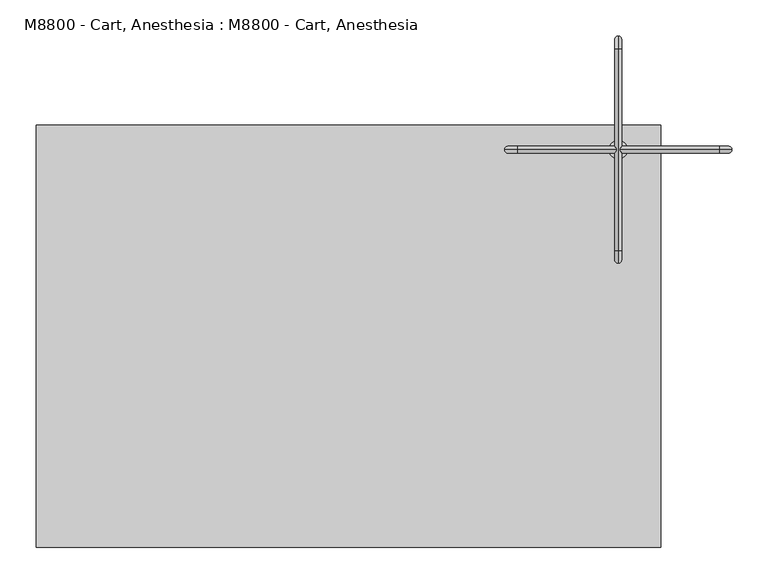
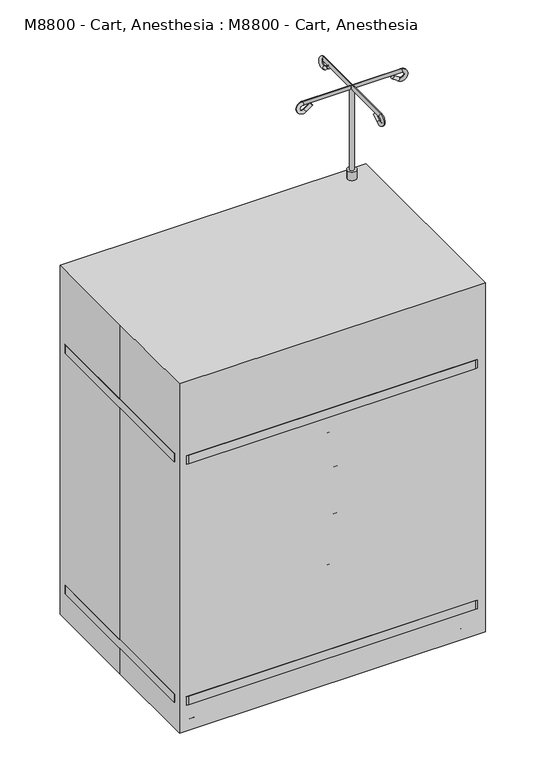
"""IFC4 building model written with IfcOpenShell, lengths in millimetres: proxy geometry, M8800 - Cart, Anesthesia : M8800 - Cart, Anesthesia."""

from ifc_helpers import new_model, si_unit, point, frame, frame_2d, origin, origin_with_axes, place, context, project, spatial, polyline, circle_curve, ellipse_curve, trimmed, segment, composite_curve, outline, extrude, source, transform, mapped, element, save
from ifc_brep_helpers import plane_surface, cylinder_surface, revolved_surface, advanced_brep


def m8800_cart_anesthesia_m8800_cart_anesthesia_451a47e1(model_context):
    return source(origin(), model_context, "Body", "SolidModel", [
        extrude(outline(composite_curve([segment(trimmed(circle_curve(frame_2d((372.8549743, 257.8577972)), 6.35), [point((366.5049743, 257.8577972))], [point((379.2049743, 257.8577972))], False, "CARTESIAN"), True, "CONTINUOUS"), segment(trimmed(circle_curve(frame_2d((372.8549743, 257.8577972)), 6.35), [point((379.2049743, 257.8577972))], [point((366.5049743, 257.8577972))], False, "CARTESIAN"), True, "CONTINUOUS")], self_intersect=False)), frame((0.0, 0.0, 1066.8), z_axis=(0.0, 0.0, 1.0), x_axis=(1.0, 0.0, 0.0)), (0.0, 0.0, 1.0), 247.65),
        advanced_brep(
        [(372.8549743, 375.3332189, 1305.9580135), (372.8549743, 369.7574508, 1298.2355504), (372.8549743, 392.9113238, 1293.2662808), (372.8549743, 387.3355558, 1285.5438178), (372.8549743, 397.5577972, 1317.1641667), (372.8549743, 397.5577972, 1307.6391667), (372.8549743, 118.1577972, 1307.6391667), (372.8549743, 118.1577972, 1317.1641667), (372.8549743, 128.3800387, 1285.5438178), (372.8549743, 122.8042706, 1293.2662808), (372.8549743, 140.3823755, 1305.9580135), (372.8549743, 145.9581436, 1298.2355504)],
        [
            (0, 1, circle_curve(frame((372.8549743, 372.5453349, 1302.096782), z_axis=(0.0, -0.8107572744902803, 0.5853824748496425), x_axis=(0.0, -0.5853824748496425, -0.8107572744902803)), 4.7625)),
            (1, 0, circle_curve(frame((372.8549743, 372.5453349, 1302.096782), z_axis=(0.0, -0.8107572744902803, 0.5853824748496425), x_axis=(0.0, -0.5853824748496425, -0.8107572744902803)), 4.7625)),
            (0, 2),
            (2, 3, circle_curve(frame((372.8549743, 390.1234398, 1289.4050493), z_axis=(0.0, -0.8107572744902803, 0.5853824748496425), x_axis=(0.0, -0.5853824748496425, -0.8107572744902803)), 4.7625)),
            (3, 1),
            (3, 2, circle_curve(frame((372.8549743, 390.1234398, 1289.4050493), z_axis=(0.0, -0.8107572744902803, 0.5853824748496425), x_axis=(0.0, -0.5853824748496425, -0.8107572744902803)), 4.7625)),
            (4, 3, circle_curve(frame((372.8549743, 397.5577972, 1299.7016667), z_axis=(-1.0, 0.0, 0.0), x_axis=(0.0, -0.5853824748496496, -0.8107572744902751)), 17.4625)),
            (2, 5, circle_curve(frame((372.8549743, 397.5577972, 1299.7016667), z_axis=(1.0, 0.0, 0.0), x_axis=(0.0, -0.5853824748496496, -0.8107572744902751)), 7.9375)),
            (5, 4, circle_curve(frame((372.8549743, 397.5577972, 1312.4016667), z_axis=(0.0, 1.0, 0.0), x_axis=(0.0, 0.0, 1.0)), 4.7625)),
            (4, 5, circle_curve(frame((372.8549743, 397.5577972, 1312.4016667), z_axis=(0.0, 1.0, 0.0), x_axis=(0.0, 0.0, 1.0)), 4.7625)),
            (5, 6),
            (6, 7, circle_curve(frame((372.8549743, 118.1577972, 1312.4016667), z_axis=(0.0, 1.0, 0.0), x_axis=(0.0, 0.0, 1.0)), 4.7625)),
            (7, 4),
            (7, 6, circle_curve(frame((372.8549743, 118.1577972, 1312.4016667), z_axis=(0.0, 1.0, 0.0), x_axis=(0.0, 0.0, 1.0)), 4.7625)),
            (8, 7, circle_curve(frame((372.8549743, 118.1577972, 1299.7016667), z_axis=(-1.0, 0.0, 0.0), x_axis=(0.0, 0.0, 1.0)), 17.4625)),
            (6, 9, circle_curve(frame((372.8549743, 118.1577972, 1299.7016667), z_axis=(1.0, 0.0, 0.0), x_axis=(0.0, 0.0, 1.0)), 7.9375)),
            (9, 8, circle_curve(frame((372.8549743, 125.5921547, 1289.4050493), z_axis=(0.0, -0.8107572744906116, -0.5853824748491835), x_axis=(0.0, 0.5853824748491835, -0.8107572744906116)), 4.7625)),
            (8, 9, circle_curve(frame((372.8549743, 125.5921547, 1289.4050493), z_axis=(0.0, -0.8107572744895729, -0.5853824748506223), x_axis=(0.0, 0.5853824748506223, -0.8107572744895729)), 4.7625)),
            (10, 11, circle_curve(frame((372.8549743, 143.1702596, 1302.096782), z_axis=(0.0, 0.8107572744898958, 0.585382474850175), x_axis=(0.0, 0.585382474850175, -0.8107572744898958)), 4.7625)),
            (11, 10, circle_curve(frame((372.8549743, 143.1702596, 1302.096782), z_axis=(0.0, 0.8107572744898958, 0.585382474850175), x_axis=(0.0, 0.585382474850175, -0.8107572744898958)), 4.7625)),
            (9, 10),
            (11, 8),
        ],
        [
            plane_surface(frame((639.5549743, 372.5453349, 1302.096782), z_axis=(0.0, -0.8107572744902803, 0.5853824748496425), x_axis=(-1.0, 0.0, 0.0))),
            cylinder_surface(frame((372.8549743, 372.5453349, 1302.096782), z_axis=(0.0, -0.8107572744902803, 0.5853824748496425), x_axis=(0.0, -0.5853824748496425, -0.8107572744902803)), 4.7625),
            revolved_surface(trimmed(ellipse_curve(frame((372.8549743, 390.1234398, 1289.4050493), z_axis=(0.0, -0.8107572744902749, 0.5853824748496498), x_axis=(0.0, -0.5853824748496498, -0.8107572744902749)), 4.7625, 4.7625), [point((372.8549743, 392.9113238, 1293.2662808))], [point((372.8549743, 387.3355558, 1285.5438178))], True, "CARTESIAN"), (639.5549743, 397.5577972, 1299.7016667), (1.0, 0.0, 0.0)),
            revolved_surface(trimmed(ellipse_curve(frame((372.8549743, 390.1234398, 1289.4050493), z_axis=(0.0, -0.8107572744902749, 0.5853824748496498), x_axis=(0.0, -0.5853824748496498, -0.8107572744902749)), 4.7625, 4.7625), [point((372.8549743, 387.3355558, 1285.5438178))], [point((372.8549743, 392.9113238, 1293.2662808))], True, "CARTESIAN"), (639.5549743, 397.5577972, 1299.7016667), (1.0, 0.0, 0.0)),
            cylinder_surface(frame((372.8549743, 397.5577972, 1312.4016667), z_axis=(0.0, 1.0, 0.0), x_axis=(0.0, 0.0, 1.0)), 4.7625),
            revolved_surface(trimmed(ellipse_curve(frame((372.8549743, 118.1577972, 1312.4016667), z_axis=(0.0, 1.0, 0.0), x_axis=(0.0, 0.0, 1.0)), 4.7625, 4.7625), [point((372.8549743, 118.1577972, 1307.6391667))], [point((372.8549743, 118.1577972, 1317.1641667))], True, "CARTESIAN"), (639.5549743, 118.1577972, 1299.7016667), (1.0, 0.0, 0.0)),
            revolved_surface(trimmed(ellipse_curve(frame((372.8549743, 118.1577972, 1312.4016667), z_axis=(0.0, 1.0, 0.0), x_axis=(0.0, 0.0, 1.0)), 4.7625, 4.7625), [point((372.8549743, 118.1577972, 1317.1641667))], [point((372.8549743, 118.1577972, 1307.6391667))], True, "CARTESIAN"), (639.5549743, 118.1577972, 1299.7016667), (1.0, 0.0, 0.0)),
            plane_surface(frame((639.5549743, 143.1702596, 1302.096782), z_axis=(0.0, 0.8107572744898955, 0.5853824748501754), x_axis=(-1.0, 0.0, 0.0))),
            cylinder_surface(frame((372.8549743, 125.5921547, 1289.4050493), z_axis=(0.0, -0.8107572744898958, -0.585382474850175), x_axis=(0.0, 0.585382474850175, -0.8107572744898958)), 4.7625),
        ],
        [
            (0, [[1, 2]]),
            (1, [[-1, 3, 4, 5]]),
            (1, [[-2, -5, 6, -3]]),
            (2, [[7, -4, 8, 9]]),
            (3, [[-8, -6, -7, 10]]),
            (4, [[-9, 11, 12, 13]]),
            (4, [[-10, -13, 14, -11]]),
            (5, [[15, -12, 16, 17]]),
            (6, [[-16, -14, -15, 18]]),
            (7, [[19, 20]]),
            (8, [[-17, 21, -20, 22]]),
            (8, [[-18, -22, -19, -21]]),
        ],
    ),
        advanced_brep(
        [(255.3795526, 257.8577972, 1305.9580135), (260.9553207, 257.8577972, 1298.2355504), (237.8014477, 257.8577972, 1293.2662808), (243.3772158, 257.8577972, 1285.5438178), (233.1549743, 257.8577972, 1317.1641667), (233.1549743, 257.8577972, 1307.6391667), (512.5549743, 257.8577972, 1307.6391667), (512.5549743, 257.8577972, 1317.1641667), (502.3327328, 257.8577972, 1285.5438178), (507.9085009, 257.8577972, 1293.2662808), (490.330396, 257.8577972, 1305.9580135), (484.7546279, 257.8577972, 1298.2355504)],
        [
            (0, 1, circle_curve(frame((258.1674367, 257.8577972, 1302.096782), z_axis=(0.810757274490287, 0.0, 0.5853824748496332), x_axis=(0.5853824748496332, 0.0, -0.810757274490287)), 4.7625)),
            (1, 0, circle_curve(frame((258.1674367, 257.8577972, 1302.096782), z_axis=(0.810757274490287, 0.0, 0.5853824748496332), x_axis=(0.5853824748496332, 0.0, -0.810757274490287)), 4.7625)),
            (0, 2),
            (2, 3, circle_curve(frame((240.5893317, 257.8577972, 1289.4050493), z_axis=(0.810757274490287, 0.0, 0.5853824748496332), x_axis=(0.5853824748496332, 0.0, -0.810757274490287)), 4.7625)),
            (3, 1),
            (3, 2, circle_curve(frame((240.5893317, 257.8577972, 1289.4050493), z_axis=(0.810757274490287, 0.0, 0.5853824748496332), x_axis=(0.5853824748496332, 0.0, -0.810757274490287)), 4.7625)),
            (4, 3, circle_curve(frame((233.1549743, 257.8577972, 1299.7016667), z_axis=(0.0, -1.0, 0.0), x_axis=(0.5853824748496301, 0.0, -0.8107572744902892)), 17.4625)),
            (2, 5, circle_curve(frame((233.1549743, 257.8577972, 1299.7016667), z_axis=(0.0, 1.0, 0.0), x_axis=(0.5853824748496301, 0.0, -0.8107572744902892)), 7.9375)),
            (5, 4, circle_curve(frame((233.1549743, 257.8577972, 1312.4016667), z_axis=(-1.0, 0.0, 0.0), x_axis=(0.0, 0.0, 1.0)), 4.7625)),
            (4, 5, circle_curve(frame((233.1549743, 257.8577972, 1312.4016667), z_axis=(-1.0, 0.0, 0.0), x_axis=(0.0, 0.0, 1.0)), 4.7625)),
            (5, 6),
            (6, 7, circle_curve(frame((512.5549743, 257.8577972, 1312.4016667), z_axis=(-1.0, 0.0, 0.0), x_axis=(0.0, 0.0, 1.0)), 4.7625)),
            (7, 4),
            (7, 6, circle_curve(frame((512.5549743, 257.8577972, 1312.4016667), z_axis=(-1.0, 0.0, 0.0), x_axis=(0.0, 0.0, 1.0)), 4.7625)),
            (8, 7, circle_curve(frame((512.5549743, 257.8577972, 1299.7016667), z_axis=(0.0, -1.0, 0.0), x_axis=(0.0, 0.0, 1.0)), 17.4625)),
            (6, 9, circle_curve(frame((512.5549743, 257.8577972, 1299.7016667), z_axis=(0.0, 1.0, 0.0), x_axis=(0.0, 0.0, 1.0)), 7.9375)),
            (9, 8, circle_curve(frame((505.1206169, 257.8577972, 1289.4050493), z_axis=(0.8107572744899074, 0.0, -0.5853824748501589), x_axis=(-0.5853824748501589, 0.0, -0.8107572744899074)), 4.7625)),
            (8, 9, circle_curve(frame((505.1206169, 257.8577972, 1289.4050493), z_axis=(0.8107572744899072, 0.0, -0.5853824748501593), x_axis=(-0.5853824748501593, 0.0, -0.8107572744899072)), 4.7625)),
            (10, 11, circle_curve(frame((487.5425119, 257.8577972, 1302.096782), z_axis=(-0.8107572744899004, 0.0, 0.5853824748501686), x_axis=(-0.5853824748501686, 0.0, -0.8107572744899004)), 4.7625)),
            (11, 10, circle_curve(frame((487.5425119, 257.8577972, 1302.096782), z_axis=(-0.8107572744899004, 0.0, 0.5853824748501686), x_axis=(-0.5853824748501686, 0.0, -0.8107572744899004)), 4.7625)),
            (9, 10),
            (11, 8),
        ],
        [
            plane_surface(frame((258.1674367, 473.7577972, 1302.096782), z_axis=(0.810757274490287, 0.0, 0.5853824748496332), x_axis=(0.0, -1.0, 0.0))),
            cylinder_surface(frame((258.1674367, 257.8577972, 1302.096782), z_axis=(0.810757274490287, 0.0, 0.5853824748496332), x_axis=(0.5853824748496332, 0.0, -0.810757274490287)), 4.7625),
            revolved_surface(trimmed(ellipse_curve(frame((240.5893317, 257.8577972, 1289.4050493), z_axis=(0.8107572744902892, 0.0, 0.5853824748496301), x_axis=(0.5853824748496301, 0.0, -0.8107572744902892)), 4.7625, 4.7625), [point((237.8014477, 257.8577972, 1293.2662808))], [point((243.3772158, 257.8577972, 1285.5438178))], True, "CARTESIAN"), (233.1549743, 473.7577972, 1299.7016667), (0.0, 1.0, 0.0)),
            revolved_surface(trimmed(ellipse_curve(frame((240.5893317, 257.8577972, 1289.4050493), z_axis=(0.8107572744902892, 0.0, 0.5853824748496301), x_axis=(0.5853824748496301, 0.0, -0.8107572744902892)), 4.7625, 4.7625), [point((243.3772158, 257.8577972, 1285.5438178))], [point((237.8014477, 257.8577972, 1293.2662808))], True, "CARTESIAN"), (233.1549743, 473.7577972, 1299.7016667), (0.0, 1.0, 0.0)),
            cylinder_surface(frame((233.1549743, 257.8577972, 1312.4016667), z_axis=(-1.0, 0.0, 0.0), x_axis=(0.0, 0.0, 1.0)), 4.7625),
            revolved_surface(trimmed(ellipse_curve(frame((512.5549743, 257.8577972, 1312.4016667), z_axis=(-1.0, 0.0, 0.0), x_axis=(0.0, 0.0, 1.0)), 4.7625, 4.7625), [point((512.5549743, 257.8577972, 1307.6391667))], [point((512.5549743, 257.8577972, 1317.1641667))], True, "CARTESIAN"), (512.5549743, 473.7577972, 1299.7016667), (0.0, 1.0, 0.0)),
            revolved_surface(trimmed(ellipse_curve(frame((512.5549743, 257.8577972, 1312.4016667), z_axis=(-1.0, 0.0, 0.0), x_axis=(0.0, 0.0, 1.0)), 4.7625, 4.7625), [point((512.5549743, 257.8577972, 1317.1641667))], [point((512.5549743, 257.8577972, 1307.6391667))], True, "CARTESIAN"), (512.5549743, 473.7577972, 1299.7016667), (0.0, 1.0, 0.0)),
            plane_surface(frame((487.5425119, 473.7577972, 1302.096782), z_axis=(-0.8107572744899004, 0.0, 0.5853824748501686), x_axis=(0.0, -1.0, 0.0))),
            cylinder_surface(frame((505.1206169, 257.8577972, 1289.4050493), z_axis=(0.8107572744899004, 0.0, -0.5853824748501686), x_axis=(-0.5853824748501686, 0.0, -0.8107572744899004)), 4.7625),
        ],
        [
            (0, [[1, 2]]),
            (1, [[-1, 3, 4, 5]]),
            (1, [[-2, -5, 6, -3]]),
            (2, [[7, -4, 8, 9]]),
            (3, [[-8, -6, -7, 10]]),
            (4, [[-9, 11, 12, 13]]),
            (4, [[-10, -13, 14, -11]]),
            (5, [[15, -12, 16, 17]]),
            (6, [[-16, -14, -15, 18]]),
            (7, [[19, 20]]),
            (8, [[-17, 21, -20, 22]]),
            (8, [[-18, -22, -19, -21]]),
        ],
    ),
        extrude(outline(polyline([(820.0646026, -381.0), (820.0646026, -374.65), (966.1146026, -374.65), (966.1146026, 120.65), (820.0646026, 120.65), (820.0646026, 127.0), (972.4646026, 127.0), (972.4646026, -381.0), (820.0646026, -381.0)])), frame((0.0, 232.4577972, 0.0), z_axis=(0.0, 1.0, 0.0), x_axis=(0.0, 0.0, 1.0)), (0.0, 0.0, 1.0), 25.4),
        extrude(outline(composite_curve([segment(trimmed(circle_curve(frame_2d((404.3351605, 266.7)), 25.4), [point((404.3351605, 292.1))], [point((429.7351605, 266.7))], False, "CARTESIAN"), True, "CONTINUOUS"), segment(polyline([(429.7351605, 266.7), (429.7351605, -266.9423102)]), True, "CONTINUOUS"), segment(trimmed(circle_curve(frame_2d((404.3351605, -266.9423102)), 25.4), [point((429.7351605, -266.9423102))], [point((404.3351605, -292.3423102))], False, "CARTESIAN"), True, "CONTINUOUS"), segment(polyline([(404.3351605, -292.3423102), (-406.4, -292.3423102)]), True, "CONTINUOUS"), segment(trimmed(circle_curve(frame_2d((-406.4, -266.9423102)), 25.4), [point((-406.4, -292.3423102))], [point((-431.8, -266.9423102))], False, "CARTESIAN"), True, "CONTINUOUS"), segment(polyline([(-431.8, -266.9423102), (-431.8, 266.7)]), True, "CONTINUOUS"), segment(trimmed(circle_curve(frame_2d((-406.4, 266.7)), 25.4), [point((-431.8, 266.7))], [point((-406.4, 292.1))], False, "CARTESIAN"), True, "CONTINUOUS"), segment(polyline([(-406.4, 292.1), (404.3351605, 292.1)]), True, "CONTINUOUS")], self_intersect=False)), frame((0.0, 0.0, 794.6646026), z_axis=(0.0, 0.0, 1.0), x_axis=(1.0, 0.0, 0.0)), (0.0, 0.0, 1.0), 25.4),
        extrude(outline(polyline([(-387.35, 260.35), (387.35, 260.35), (387.35, 241.3), (-387.35, 241.3), (-387.35, 260.35)])), frame((0.0, 0.0, 101.6), z_axis=(0.0, 0.0, 1.0), x_axis=(1.0, 0.0, 0.0)), (0.0, 0.0, 1.0), 693.0646026),
        extrude(outline(polyline([(406.4, 260.35), (406.4, -247.65), (387.35, -247.65), (387.35, 260.35), (406.4, 260.35)])), frame((0.0, 0.0, 101.6), z_axis=(0.0, 0.0, 1.0), x_axis=(1.0, 0.0, 0.0)), (0.0, 0.0, 1.0), 693.0646026),
        extrude(outline(polyline([(-387.35, 260.35), (-387.35, -247.65), (-406.4, -247.65), (-406.4, 260.35), (-387.35, 260.35)])), frame((0.0, 0.0, 101.6), z_axis=(0.0, 0.0, 1.0), x_axis=(1.0, 0.0, 0.0)), (0.0, 0.0, 1.0), 693.0646026),
        extrude(outline(polyline([(228.6, 31.75), (215.9, 31.75), (208.0622657, 76.2), (236.4377343, 76.2), (228.6, 31.75)])), frame((-374.65, 0.0, 0.0), z_axis=(1.0, 0.0, 0.0), x_axis=(0.0, 1.0, 0.0)), (0.0, 0.0, 1.0), 3.175),
        extrude(outline(polyline([(228.6, 31.75), (215.9, 31.75), (208.0622657, 76.2), (236.4377343, 76.2), (228.6, 31.75)])), frame((-390.525, 0.0, 0.0), z_axis=(1.0, 0.0, 0.0), x_axis=(0.0, 1.0, 0.0)), (0.0, 0.0, 1.0), 3.175),
        extrude(outline(composite_curve([segment(trimmed(circle_curve(frame_2d((222.25, 31.75)), 31.75), [point((254.0, 31.75))], [point((190.5, 31.75))], False, "CARTESIAN"), True, "CONTINUOUS"), segment(trimmed(circle_curve(frame_2d((222.25, 31.75)), 31.75), [point((190.5, 31.75))], [point((254.0, 31.75))], False, "CARTESIAN"), True, "CONTINUOUS")], self_intersect=False)), frame((-387.35, 0.0, 0.0), z_axis=(1.0, 0.0, 0.0), x_axis=(0.0, 1.0, 0.0)), (0.0, 0.0, 1.0), 12.7),
        extrude(outline(polyline([(228.6, 31.75), (215.9, 31.75), (208.0622657, 76.2), (236.4377343, 76.2), (228.6, 31.75)])), frame((365.125, 0.0, 0.0), z_axis=(1.0, 0.0, 0.0), x_axis=(0.0, 1.0, 0.0)), (0.0, 0.0, 1.0), 3.175),
        extrude(outline(polyline([(228.6, 31.75), (215.9, 31.75), (208.0622657, 76.2), (236.4377343, 76.2), (228.6, 31.75)])), frame((381.0, 0.0, 0.0), z_axis=(1.0, 0.0, 0.0), x_axis=(0.0, 1.0, 0.0)), (0.0, 0.0, 1.0), 3.175),
        extrude(outline(composite_curve([segment(trimmed(circle_curve(frame_2d((222.25, 31.75)), 31.75), [point((254.0, 31.75))], [point((190.5, 31.75))], False, "CARTESIAN"), True, "CONTINUOUS"), segment(trimmed(circle_curve(frame_2d((222.25, 31.75)), 31.75), [point((190.5, 31.75))], [point((254.0, 31.75))], False, "CARTESIAN"), True, "CONTINUOUS")], self_intersect=False)), frame((368.3, 0.0, 0.0), z_axis=(1.0, 0.0, 0.0), x_axis=(0.0, 1.0, 0.0)), (0.0, 0.0, 1.0), 12.7),
        extrude(outline(composite_curve([segment(polyline([(76.2, -260.35), (86.3693377, -260.35)]), True, "CONTINUOUS"), segment(trimmed(circle_curve(frame_2d((0.0, -158.75)), 133.35), [point((86.3693377, -260.35))], [point((-86.3693377, -260.35))], False, "CARTESIAN"), True, "CONTINUOUS"), segment(polyline([(-86.3693377, -260.35), (-76.2, -260.35)]), True, "CONTINUOUS"), segment(trimmed(circle_curve(frame_2d((0.0, -158.75)), 127.0), [point((-76.2, -260.35))], [point((76.2, -260.35))], True, "CARTESIAN"), True, "CONTINUOUS")], self_intersect=False)), frame((0.0, 0.0, 736.6), z_axis=(0.0, 0.0, 1.0), x_axis=(1.0, 0.0, 0.0)), (0.0, 0.0, 1.0), 12.7),
        extrude(outline(polyline([(406.4, -260.35), (-406.4, -260.35), (-406.4, -247.65), (406.4, -247.65), (406.4, -260.35)])), frame((0.0, 0.0, 692.15), z_axis=(0.0, 0.0, 1.0), x_axis=(1.0, 0.0, 0.0)), (0.0, 0.0, 1.0), 101.6),
        extrude(outline(composite_curve([segment(polyline([(76.2, -260.35), (86.3693377, -260.35)]), True, "CONTINUOUS"), segment(trimmed(circle_curve(frame_2d((0.0, -158.75)), 133.35), [point((86.3693377, -260.35))], [point((-86.3693377, -260.35))], False, "CARTESIAN"), True, "CONTINUOUS"), segment(polyline([(-86.3693377, -260.35), (-76.2, -260.35)]), True, "CONTINUOUS"), segment(trimmed(circle_curve(frame_2d((0.0, -158.75)), 127.0), [point((-76.2, -260.35))], [point((76.2, -260.35))], True, "CARTESIAN"), True, "CONTINUOUS")], self_intersect=False)), frame((0.0, 0.0, 628.65), z_axis=(0.0, 0.0, 1.0), x_axis=(1.0, 0.0, 0.0)), (0.0, 0.0, 1.0), 12.7),
        extrude(outline(polyline([(406.4, -260.35), (-406.4, -260.35), (-406.4, -247.65), (406.4, -247.65), (406.4, -260.35)])), frame((0.0, 0.0, 584.2), z_axis=(0.0, 0.0, 1.0), x_axis=(1.0, 0.0, 0.0)), (0.0, 0.0, 1.0), 101.6),
        extrude(outline(composite_curve([segment(polyline([(76.2, -260.35), (86.3693377, -260.35)]), True, "CONTINUOUS"), segment(trimmed(circle_curve(frame_2d((0.0, -158.75)), 133.35), [point((86.3693377, -260.35))], [point((-86.3693377, -260.35))], False, "CARTESIAN"), True, "CONTINUOUS"), segment(polyline([(-86.3693377, -260.35), (-76.2, -260.35)]), True, "CONTINUOUS"), segment(trimmed(circle_curve(frame_2d((0.0, -158.75)), 127.0), [point((-76.2, -260.35))], [point((76.2, -260.35))], True, "CARTESIAN"), True, "CONTINUOUS")], self_intersect=False)), frame((0.0, 0.0, 342.9), z_axis=(0.0, 0.0, 1.0), x_axis=(1.0, 0.0, 0.0)), (0.0, 0.0, 1.0), 12.7),
        extrude(outline(composite_curve([segment(polyline([(75.4687748, -260.35), (85.6381125, -260.35)]), True, "CONTINUOUS"), segment(trimmed(circle_curve(frame_2d((-0.7312252, -158.75)), 133.35), [point((85.6381125, -260.35))], [point((-87.1005629, -260.35))], False, "CARTESIAN"), True, "CONTINUOUS"), segment(polyline([(-87.1005629, -260.35), (-76.9312252, -260.35)]), True, "CONTINUOUS"), segment(trimmed(circle_curve(frame_2d((-0.7312252, -158.75)), 127.0), [point((-76.9312252, -260.35))], [point((75.4687748, -260.35))], True, "CARTESIAN"), True, "CONTINUOUS")], self_intersect=False)), frame((0.0, 0.0, 488.95), z_axis=(0.0, 0.0, 1.0), x_axis=(1.0, 0.0, 0.0)), (0.0, 0.0, 1.0), 12.7),
        extrude(outline(polyline([(406.4, -260.35), (-406.4, -260.35), (-406.4, -247.65), (406.4, -247.65), (406.4, -260.35)])), frame((0.0, 0.0, 101.6), z_axis=(0.0, 0.0, 1.0), x_axis=(1.0, 0.0, 0.0)), (0.0, 0.0, 1.0), 304.8),
        extrude(outline(polyline([(406.4, -260.35), (-406.4, -260.35), (-406.4, -247.65), (406.4, -247.65), (406.4, -260.35)])), frame((0.0, 0.0, 412.75), z_axis=(0.0, 0.0, 1.0), x_axis=(1.0, 0.0, 0.0)), (0.0, 0.0, 1.0), 165.1),
        extrude(outline(polyline([(-247.65, 31.75), (-255.4877343, 76.2), (-227.1122657, 76.2), (-234.95, 31.75), (-247.65, 31.75)])), frame((-374.65, 0.0, 0.0), z_axis=(1.0, 0.0, 0.0), x_axis=(0.0, 1.0, 0.0)), (0.0, 0.0, 1.0), 3.175),
        extrude(outline(polyline([(-247.65, 31.75), (-255.4877343, 76.2), (-227.1122657, 76.2), (-234.95, 31.75), (-247.65, 31.75)])), frame((-390.525, 0.0, 0.0), z_axis=(1.0, 0.0, 0.0), x_axis=(0.0, 1.0, 0.0)), (0.0, 0.0, 1.0), 3.175),
        extrude(outline(composite_curve([segment(trimmed(circle_curve(frame_2d((-241.3, 31.75)), 31.75), [point((-273.05, 31.75))], [point((-209.55, 31.75))], False, "CARTESIAN"), True, "CONTINUOUS"), segment(trimmed(circle_curve(frame_2d((-241.3, 31.75)), 31.75), [point((-209.55, 31.75))], [point((-273.05, 31.75))], False, "CARTESIAN"), True, "CONTINUOUS")], self_intersect=False)), frame((-387.35, 0.0, 0.0), z_axis=(1.0, 0.0, 0.0), x_axis=(0.0, 1.0, 0.0)), (0.0, 0.0, 1.0), 12.7),
        extrude(outline(polyline([(-247.65, 31.75), (-255.4877343, 76.2), (-227.1122657, 76.2), (-234.95, 31.75), (-247.65, 31.75)])), frame((365.125, 0.0, 0.0), z_axis=(1.0, 0.0, 0.0), x_axis=(0.0, 1.0, 0.0)), (0.0, 0.0, 1.0), 3.175),
        extrude(outline(polyline([(-247.65, 31.75), (-255.4877343, 76.2), (-227.1122657, 76.2), (-234.95, 31.75), (-247.65, 31.75)])), frame((381.0, 0.0, 0.0), z_axis=(1.0, 0.0, 0.0), x_axis=(0.0, 1.0, 0.0)), (0.0, 0.0, 1.0), 3.175),
        extrude(outline(composite_curve([segment(trimmed(circle_curve(frame_2d((-241.3, 31.75)), 31.75), [point((-273.05, 31.75))], [point((-209.55, 31.75))], False, "CARTESIAN"), True, "CONTINUOUS"), segment(trimmed(circle_curve(frame_2d((-241.3, 31.75)), 31.75), [point((-209.55, 31.75))], [point((-273.05, 31.75))], False, "CARTESIAN"), True, "CONTINUOUS")], self_intersect=False)), frame((368.3, 0.0, 0.0), z_axis=(1.0, 0.0, 0.0), x_axis=(0.0, 1.0, 0.0)), (0.0, 0.0, 1.0), 12.7),
        extrude(outline(composite_curve([segment(trimmed(circle_curve(frame_2d((372.8549743, 257.8577972)), 12.7), [point((360.1549743, 257.8577972))], [point((385.5549743, 257.8577972))], False, "CARTESIAN"), True, "CONTINUOUS"), segment(trimmed(circle_curve(frame_2d((372.8549743, 257.8577972)), 12.7), [point((385.5549743, 257.8577972))], [point((360.1549743, 257.8577972))], False, "CARTESIAN"), True, "CONTINUOUS")], self_intersect=False)), frame((0.0, 0.0, 820.0646026), z_axis=(0.0, 0.0, 1.0), x_axis=(1.0, 0.0, 0.0)), (0.0, 0.0, 1.0), 246.7353974),
        extrude(outline(composite_curve([segment(trimmed(circle_curve(frame_2d((404.3351605, 266.7)), 25.4), [point((404.3351605, 292.1))], [point((429.7351605, 266.7))], False, "CARTESIAN"), True, "CONTINUOUS"), segment(polyline([(429.7351605, 266.7), (429.7351605, -266.9423102)]), True, "CONTINUOUS"), segment(trimmed(circle_curve(frame_2d((404.3351605, -266.9423102)), 25.4), [point((429.7351605, -266.9423102))], [point((404.3351605, -292.3423102))], False, "CARTESIAN"), True, "CONTINUOUS"), segment(polyline([(404.3351605, -292.3423102), (-406.4, -292.3423102)]), True, "CONTINUOUS"), segment(trimmed(circle_curve(frame_2d((-406.4, -266.9423102)), 25.4), [point((-406.4, -292.3423102))], [point((-431.8, -266.9423102))], False, "CARTESIAN"), True, "CONTINUOUS"), segment(polyline([(-431.8, -266.9423102), (-431.8, 266.7)]), True, "CONTINUOUS"), segment(trimmed(circle_curve(frame_2d((-406.4, 266.7)), 25.4), [point((-431.8, 266.7))], [point((-406.4, 292.1))], False, "CARTESIAN"), True, "CONTINUOUS"), segment(polyline([(-406.4, 292.1), (404.3351605, 292.1)]), True, "CONTINUOUS")], self_intersect=False)), frame((0.0, 0.0, 76.2), z_axis=(0.0, 0.0, 1.0), x_axis=(1.0, 0.0, 0.0)), (0.0, 0.0, 1.0), 25.4),
        extrude(outline(polyline([(-431.8, 292.1), (431.8, 292.1), (431.8, -292.1), (-431.8, -292.1), (-431.8, 0.0), (-431.8, 292.1)])), origin_with_axes(), (0.0, 0.0, 1.0), 1041.4),
    ])


if __name__ == "__main__":
    model = new_model("IFC4")
    model_context = context("Model", 3, world=origin())
    ifc_project = project(units=[si_unit("LENGTHUNIT", "METRE", prefix="MILLI")], contexts=[model_context])
    site = spatial("IfcSite", under=ifc_project)
    building = spatial("IfcBuilding", under=site)
    placement = place(None, origin())
    m8800_cart_anesthesia_m8800_cart_anesthesia_shape = m8800_cart_anesthesia_m8800_cart_anesthesia_451a47e1(model_context)
    element("IfcBuildingElementProxy", 1, Name="M8800 - Cart, Anesthesia : M8800 - Cart, Anesthesia", ObjectType="M8800 - Cart, Anesthesia : M8800 - Cart, Anesthesia", at=placement, inside=building, context=model_context, shape_type="MappedRepresentation", body=[
        mapped(m8800_cart_anesthesia_m8800_cart_anesthesia_shape, transform((0.0, 0.0, 0.0), x_axis=(1.0, 0.0, 0.0), y_axis=(0.0, 1.0, 0.0), z_axis=(0.0, 0.0, 1.0))),
    ])
    save(model, "model.ifc")
